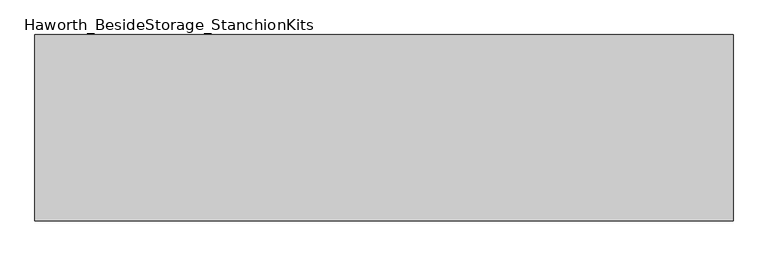
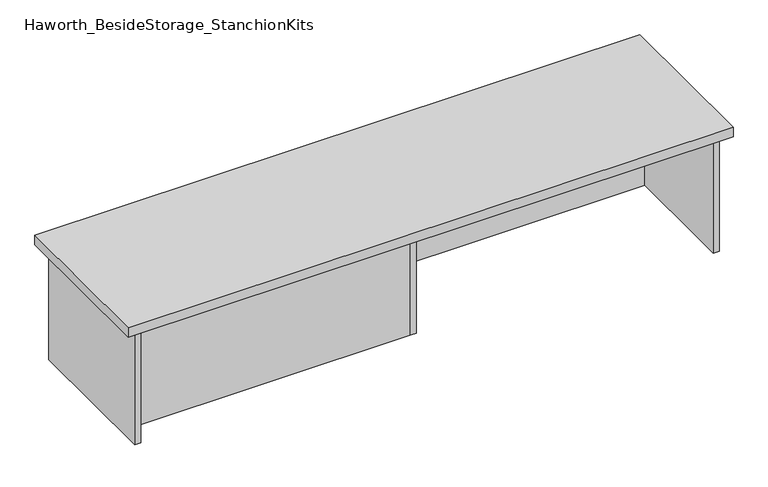
"""IFC4 building model written with IfcOpenShell, lengths in millimetres: furniture geometry, Haworth_BesideStorage_StanchionKits."""

import ifcopenshell
import ifcopenshell.guid

model = None  # the IFC model being written
_history = None  # IfcOwnerHistory: only IFC2X3 demands one
_inside = {}  # id of a spatial element -> (the spatial element, [elements in it])
_under = {}  # id of a project, library or spatial element -> (it, [spatial elements below it])
_declared = {}  # id of a project -> (the project, [libraries it declares])
_typed = {}  # id of a type object -> (the type object, [elements of that type])
_made_of = {}  # id of a material, layer set ... -> (it, [elements and type objects made of it])


def new_model(schema):
    """Start an empty IFC model of exactly this schema.

    Asked for "IFC4X3", IfcOpenShell would pick the latest addendum, in which some entities
    have other attributes; the version numbers below select the first issue.
    IFC2X3 requires an IfcOwnerHistory on every rooted entity: one is made here for all.
    """
    global model, _history
    if schema == "IFC4X3":
        model = ifcopenshell.file(schema_version=(4, 3, 0, 0))
    else:
        model = ifcopenshell.file(schema=schema)
    _inside.clear()
    _under.clear()
    _declared.clear()
    _typed.clear()
    _made_of.clear()
    _history = None
    if model.schema == "IFC2X3":
        org = make("IfcOrganization", Name="unknown")
        user = make(
            "IfcPersonAndOrganization",
            ThePerson=make("IfcPerson", FamilyName="unknown"),
            TheOrganization=org,
        )
        app = make(
            "IfcApplication",
            ApplicationDeveloper=org,
            Version="unknown",
            ApplicationFullName="unknown",
            ApplicationIdentifier="unknown",
        )
        _history = make(
            "IfcOwnerHistory",
            OwningUser=user,
            OwningApplication=app,
            ChangeAction="ADDED",
            CreationDate=0,
        )
    return model


def make(cls, **values):
    """One entity of the class cls with the attributes given. An attribute that is None is left unset."""
    return model.create_entity(
        cls, **{name: value for name, value in values.items() if value is not None}
    )


def rooted(cls, **values):
    """An entity with a GlobalId (a new one), such as an element, a storey or a relation."""
    return make(cls, GlobalId=ifcopenshell.guid.new(), OwnerHistory=_history, **values)


def si_unit(unit_type, name, prefix=None):
    """IfcSIUnit, for example si_unit("LENGTHUNIT", "METRE", prefix="MILLI")."""
    return make("IfcSIUnit", UnitType=unit_type, Prefix=prefix, Name=name)


def assignment(units):
    """IfcUnitAssignment: the units of a project."""
    return None if units is None else make("IfcUnitAssignment", Units=units)


def point(xyz):
    """IfcCartesianPoint."""
    return None if xyz is None else make("IfcCartesianPoint", Coordinates=xyz)


def direction(xyz):
    """IfcDirection."""
    return None if xyz is None else make("IfcDirection", DirectionRatios=xyz)


def frame(location, z_axis=None, x_axis=None):
    """IfcAxis2Placement3D, a coordinate frame: its origin and axes. An axis left out is left unset."""
    return make(
        "IfcAxis2Placement3D",
        Location=point(location),
        Axis=direction(z_axis),
        RefDirection=direction(x_axis),
    )


def origin():
    """The frame at (0, 0, 0) with its axes left unset."""
    return frame((0.0, 0.0, 0.0))


def place(relative_to, where):
    """IfcLocalPlacement: puts the frame where relative to a parent placement (None: the world)."""
    return make(
        "IfcLocalPlacement", PlacementRelTo=relative_to, RelativePlacement=where
    )


def context(
    kind, dimensions, precision=None, world=None, true_north=None, identifier=None
):
    """IfcGeometricRepresentationContext, for example the 3D "Model" context."""
    return make(
        "IfcGeometricRepresentationContext",
        ContextIdentifier=identifier,
        ContextType=kind,
        CoordinateSpaceDimension=dimensions,
        Precision=precision,
        WorldCoordinateSystem=world,
        TrueNorth=true_north,
    )


def project(units=None, contexts=None):
    """IfcProject with its units and contexts."""
    return rooted(
        "IfcProject",
        Name="project",
        RepresentationContexts=contexts,
        UnitsInContext=assignment(units),
    )


def spatial(cls, under=None, at=None, **own):
    """A site, building, storey or space (cls), placed at a placement, below another one or the project."""
    s = rooted(cls, ObjectPlacement=at, **own)
    if under is not None:
        _under.setdefault(under.id(), (under, []))[1].append(s)
    return s


def polyline(points):
    """IfcPolyline through the points."""
    return make("IfcPolyline", Points=[point(p) for p in points])


def outline(outer, holes=None, kind="AREA"):
    """IfcArbitraryClosedProfileDef: a profile drawn as a closed curve; with holes, ...WithVoids."""
    if holes is None:
        return make("IfcArbitraryClosedProfileDef", ProfileType=kind, OuterCurve=outer)
    return make(
        "IfcArbitraryProfileDefWithVoids",
        ProfileType=kind,
        OuterCurve=outer,
        InnerCurves=holes,
    )


def extrude(swept, where, along, depth):
    """IfcExtrudedAreaSolid: the profile swept, set in the frame where, extruded along a direction by depth."""
    return make(
        "IfcExtrudedAreaSolid",
        SweptArea=swept,
        Position=where,
        ExtrudedDirection=direction(along),
        Depth=depth,
    )


def shape(context_of_items, identifier, shape_type, items):
    """IfcShapeRepresentation: the items that make up one representation, for example the "Body"."""
    return make(
        "IfcShapeRepresentation",
        ContextOfItems=context_of_items,
        RepresentationIdentifier=identifier,
        RepresentationType=shape_type,
        Items=items,
    )


def source(mapping_origin, context_of_items, identifier, shape_type, items):
    """IfcRepresentationMap: a shape defined once, which mapped items show again and again."""
    return make(
        "IfcRepresentationMap",
        MappingOrigin=mapping_origin,
        MappedRepresentation=shape(context_of_items, identifier, shape_type, items),
    )


def transform(
    local_origin,
    x_axis=None,
    y_axis=None,
    z_axis=None,
    scale=None,
    scale2=None,
    scale3=None,
    uniform=True,
):
    """IfcCartesianTransformationOperator3D, or its non-uniform kind. x_axis, y_axis, z_axis: its Axis1, 2, 3."""
    if uniform:
        return make(
            "IfcCartesianTransformationOperator3D",
            Axis1=direction(x_axis),
            Axis2=direction(y_axis),
            LocalOrigin=point(local_origin),
            Scale=scale,
            Axis3=direction(z_axis),
        )
    return make(
        "IfcCartesianTransformationOperator3DnonUniform",
        Axis1=direction(x_axis),
        Axis2=direction(y_axis),
        LocalOrigin=point(local_origin),
        Scale=scale,
        Axis3=direction(z_axis),
        Scale2=scale2,
        Scale3=scale3,
    )


def mapped(mapping_source, mapping_target):
    """IfcMappedItem: shows the shape of a source again, moved by a transform."""
    return make(
        "IfcMappedItem", MappingSource=mapping_source, MappingTarget=mapping_target
    )


def made_of(thing, what):
    """Note that an element or type object is made of a material, layer set ...; save() writes the relation."""
    if what is not None:
        _made_of.setdefault(what.id(), (what, []))[1].append(thing)
    return thing


def element(
    cls,
    number,
    at=None,
    inside=None,
    cuts=None,
    type_object=None,
    material=None,
    context=None,
    identifier="Body",
    shape_type=None,
    held_by="IfcProductDefinitionShape",
    body=None,
    shapes=None,
    **own,
):
    """One element of the class cls, such as IfcWall. Its Tag is "e" and its number.

    at: its placement. inside: the storey or other place that contains it. cuts: it is an
    opening in that element (IfcRelVoidsElement). A single representation is given by context,
    identifier, shape_type and body (its items); several are given by shapes. held_by: the class
    of the entity that holds the representations. save() writes the other relations.
    """
    e = rooted(cls, Tag="e%d" % number, ObjectPlacement=at, **own)
    if body is not None:
        shapes = [shape(context, identifier, shape_type, body)]
    if shapes is not None:
        e.Representation = make(held_by, Representations=shapes)
    if inside is not None:
        _inside.setdefault(inside.id(), (inside, []))[1].append(e)
    if cuts is not None:
        rooted(
            "IfcRelVoidsElement", RelatingBuildingElement=cuts, RelatedOpeningElement=e
        )
    if type_object is not None:
        _typed.setdefault(type_object.id(), (type_object, []))[1].append(e)
    return made_of(e, material)


def aggregate(whole, parts):
    """IfcRelAggregates: a whole, such as a stair, and the parts it consists of."""
    return rooted("IfcRelAggregates", RelatingObject=whole, RelatedObjects=parts)


def save(model, path):
    """Write the relations noted so far, then the file.

    IfcRelAggregates (storeys below a building ...), IfcRelContainedInSpatialStructure (elements
    in a storey), IfcRelDefinesByType, IfcRelAssociatesMaterial and IfcRelDeclares: one each for
    every whole, place, type object, material and project.
    """
    for whole, parts in _under.values():
        aggregate(whole, parts)
    for where, things in _inside.values():
        rooted(
            "IfcRelContainedInSpatialStructure",
            RelatedElements=things,
            RelatingStructure=where,
        )
    for kind, things in _typed.values():
        rooted("IfcRelDefinesByType", RelatedObjects=things, RelatingType=kind)
    for what, things in _made_of.values():
        rooted("IfcRelAssociatesMaterial", RelatedObjects=things, RelatingMaterial=what)
    for by, libraries in _declared.values():
        rooted("IfcRelDeclares", RelatingContext=by, RelatedDefinitions=libraries)
    model.write(path)


def haworth_besidestorage_stanchionkits_730c4582(model_context):
    return source(origin(), model_context, "Body", "SweptSolid", [
        extrude(outline(polyline([(923.925, 0.0), (923.925, -406.4), (-600.075, -406.4), (-600.075, 0.0), (923.925, 0.0)])), frame((0.0, 0.0, 736.6), z_axis=(0.0, 0.0, 1.0), x_axis=(1.0, 0.0, 0.0)), (0.0, 0.0, 1.0), 25.4),
        extrude(outline(polyline([(169.8625, -76.2), (882.65, -76.2), (882.65, -92.075), (169.8625, -92.075), (169.8625, -76.2)])), frame((0.0, 0.0, 431.8), z_axis=(0.0, 0.0, 1.0), x_axis=(1.0, 0.0, 0.0)), (0.0, 0.0, 1.0), 304.8),
        extrude(outline(polyline([(153.9875, -314.325), (153.9875, -330.2), (-558.8, -330.2), (-558.8, -314.325), (153.9875, -314.325)])), frame((0.0, 0.0, 431.8), z_axis=(0.0, 0.0, 1.0), x_axis=(1.0, 0.0, 0.0)), (0.0, 0.0, 1.0), 304.8),
        extrude(outline(polyline([(169.8625, -330.2), (153.9875, -330.2), (153.9875, -76.2), (169.8625, -76.2), (169.8625, -330.2)])), frame((0.0, 0.0, 431.8), z_axis=(0.0, 0.0, 1.0), x_axis=(1.0, 0.0, 0.0)), (0.0, 0.0, 1.0), 304.8),
        extrude(outline(polyline([(898.525, -390.525), (882.65, -390.525), (882.65, -15.875), (898.525, -15.875), (898.525, -390.525)])), frame((0.0, 0.0, 431.8), z_axis=(0.0, 0.0, 1.0), x_axis=(1.0, 0.0, 0.0)), (0.0, 0.0, 1.0), 304.8),
        extrude(outline(polyline([(-558.8, -390.525), (-574.675, -390.525), (-574.675, -15.875), (-558.8, -15.875), (-558.8, -390.525)])), frame((0.0, 0.0, 431.8), z_axis=(0.0, 0.0, 1.0), x_axis=(1.0, 0.0, 0.0)), (0.0, 0.0, 1.0), 304.8),
    ])


if __name__ == "__main__":
    model = new_model("IFC4")
    model_context = context("Model", 3, world=origin())
    ifc_project = project(units=[si_unit("LENGTHUNIT", "METRE", prefix="MILLI")], contexts=[model_context])
    site = spatial("IfcSite", under=ifc_project)
    building = spatial("IfcBuilding", under=site)
    placement = place(None, origin())
    haworth_besidestorage_stanchionkits_shape = haworth_besidestorage_stanchionkits_730c4582(model_context)
    element("IfcFurniture", 1, ObjectType="Haworth_BesideStorage_StanchionKits", at=placement, inside=building, context=model_context, shape_type="MappedRepresentation", body=[
        mapped(haworth_besidestorage_stanchionkits_shape, transform((0.0, 0.0, 0.0), x_axis=(1.0, 0.0, 0.0), y_axis=(0.0, 1.0, 0.0), z_axis=(0.0, 0.0, 1.0))),
    ])
    save(model, "model.ifc")
